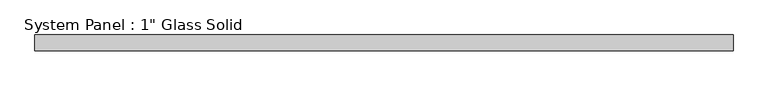
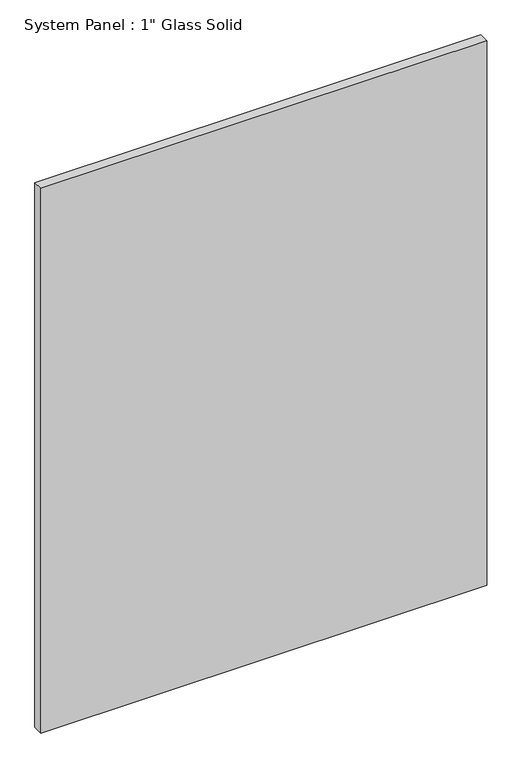
"""IFC4 building model written with IfcOpenShell, lengths in millimetres: plate geometry."""

from ifc_helpers import new_model, si_unit, origin, origin_with_axes, place, context, project, spatial, polyline, outline, extrude, source, transform, mapped, element, save


def plate_d3c65a02(model_context):
    return source(origin(), model_context, "Body", "SweptSolid", [
        extrude(outline(polyline([(562.5555865, -12.7), (-562.5555865, -12.7), (-562.5555865, 12.7), (562.5555865, 12.7), (562.5555865, -12.7)])), origin_with_axes(), (0.0, 0.0, 1.0), 1452.8817704),
    ])


if __name__ == "__main__":
    model = new_model("IFC4")
    model_context = context("Model", 3, world=origin())
    ifc_project = project(units=[si_unit("LENGTHUNIT", "METRE", prefix="MILLI")], contexts=[model_context])
    site = spatial("IfcSite", under=ifc_project)
    building = spatial("IfcBuilding", under=site)
    placement = place(None, origin())
    plate_shape = plate_d3c65a02(model_context)
    element("IfcPlate", 1, ObjectType="System Panel : 1\" Glass Solid", at=placement, inside=building, context=model_context, shape_type="MappedRepresentation", body=[
        mapped(plate_shape, transform((0.0, 0.0, 0.0), x_axis=(1.0, 0.0, 0.0), y_axis=(0.0, 1.0, 0.0), z_axis=(0.0, 0.0, 1.0))),
    ])
    save(model, "model.ifc")
